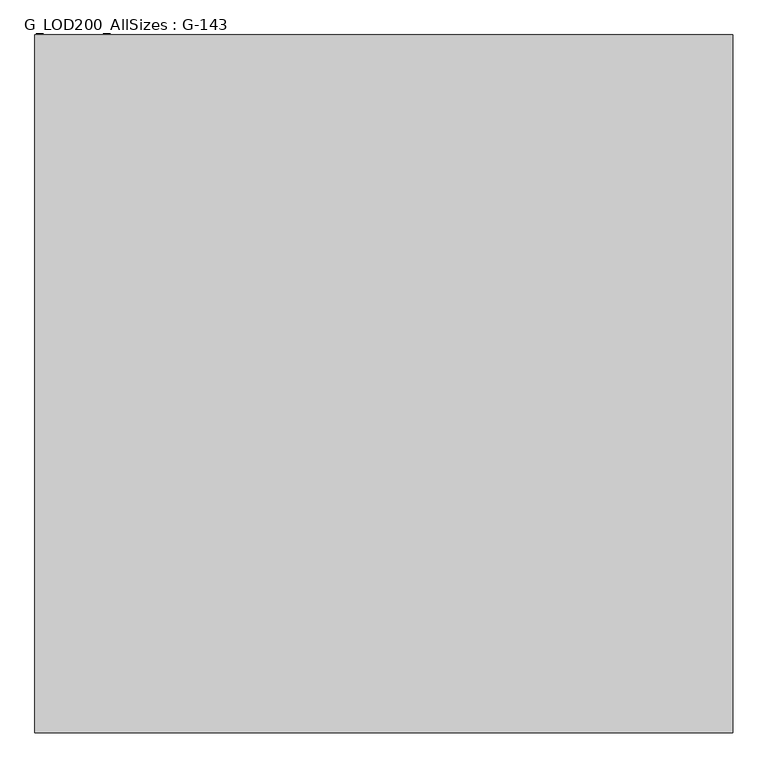
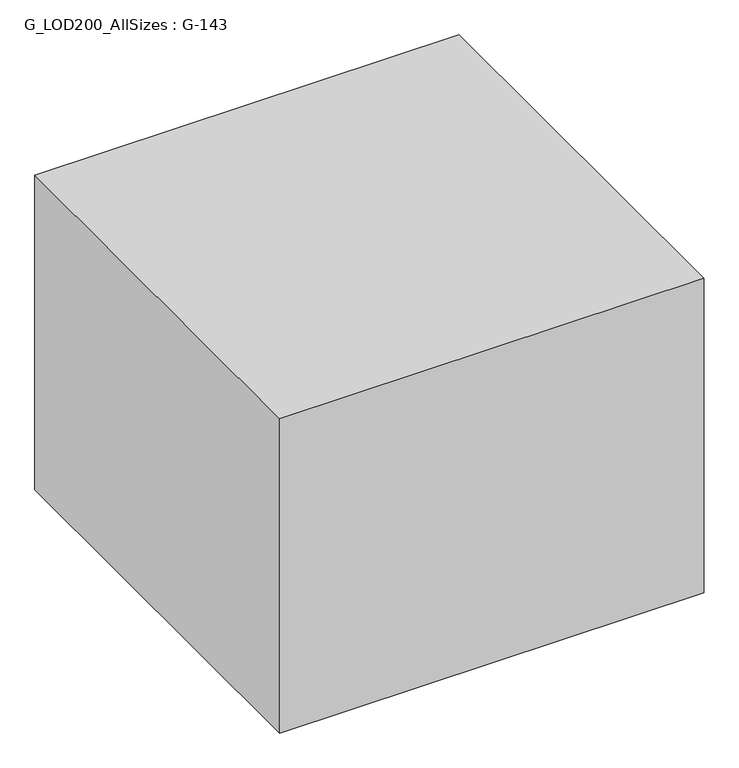
"""IFC4 building model written with IfcOpenShell, lengths in millimetres: proxy geometry, G_LOD200_AllSizes : G-143."""

from ifc_helpers import new_model, si_unit, point, frame, origin, origin_with_axes, place, context, project, spatial, polyline, circle_curve, ellipse_curve, trimmed, outline, extrude, faceted_brep, source, transform, mapped, element, save
from ifc_brep_helpers import plane_surface, cylinder_surface, revolved_surface, advanced_brep


def g_lod200_allsizes_g_143_ea013824(model_context):
    return source(origin(), model_context, "Body", "SolidModel", [
        extrude(outline(polyline([(-19.1124116, -260.35), (-539.8124116, -260.35), (-539.8124116, 260.35), (-19.1124116, 260.35), (-19.1124116, -260.35)]), holes=[polyline([(-514.4125132, -234.9501016), (-44.51231, -234.9501016), (-44.51231, 234.9501016), (-514.4125132, 234.9501016), (-514.4125132, -234.9501016)])]), origin_with_axes(), (0.0, 0.0, 1.0), 304.8),
        advanced_brep(
        [(-279.4624116, 0.0, 563.5625), (16.2888384, 0.0, 563.5625), (-575.2136616, 0.0, 563.5625), (-640.2217866, 0.0, 414.3375), (81.2969634, 0.0, 414.3375), (-279.4624116, 0.0, 414.3375), (-640.2217866, 0.0, 498.5544531), (81.2969634, 0.0, 498.554375)],
        [
            (0, 1),
            (1, 2, circle_curve(frame((-279.4624116, 0.0, 563.5625), z_axis=(0.0, 0.0, 1.0), x_axis=(1.0, 0.0, 0.0)), 295.75125)),
            (2, 0),
            (2, 1, circle_curve(frame((-279.4624116, 0.0, 563.5625), z_axis=(0.0, 0.0, 1.0), x_axis=(1.0, 0.0, 0.0)), 295.75125)),
            (3, 4, circle_curve(frame((-279.4624116, 0.0, 414.3375), z_axis=(0.0, 0.0, -1.0), x_axis=(1.0, 0.0, 0.0)), 360.759375)),
            (4, 5),
            (5, 3),
            (4, 3, circle_curve(frame((-279.4624116, 0.0, 414.3375), z_axis=(0.0, 0.0, -1.0), x_axis=(1.0, 0.0, 0.0)), 360.759375)),
            (3, 6),
            (6, 7, circle_curve(frame((-279.4624116, 0.0, 498.554375), z_axis=(0.0, 0.0, -1.0), x_axis=(1.0, 0.0, 0.0)), 360.759375)),
            (7, 4),
            (7, 6, circle_curve(frame((-279.4624116, 0.0, 498.554375), z_axis=(0.0, 0.0, -1.0), x_axis=(1.0, 0.0, 0.0)), 360.759375)),
            (6, 2, circle_curve(frame((-575.2136616, 0.0, 498.554375), z_axis=(0.0, 1.0, 0.0), x_axis=(-1.0, 0.0, 0.0)), 65.008125)),
            (1, 7, circle_curve(frame((16.2888384, 0.0, 498.554375), z_axis=(0.0, 1.0, 0.0), x_axis=(1.0, 0.0, 0.0)), 65.008125)),
        ],
        [
            plane_surface(frame((-279.4624116, 0.0, 563.5625), z_axis=(0.0, 0.0, 1.0), x_axis=(1.0, 0.0, 0.0))),
            plane_surface(frame((-279.4624116, 0.0, 414.3375), z_axis=(0.0, 0.0, -1.0), x_axis=(1.0, 0.0, 0.0))),
            cylinder_surface(frame((-279.4624116, 0.0, 414.3047007), z_axis=(0.0, 0.0, 1.0), x_axis=(1.0, 0.0, 0.0)), 360.759375),
            revolved_surface(trimmed(ellipse_curve(frame((16.2888384, 0.0, 498.554375), z_axis=(0.0, -1.0, 0.0), x_axis=(1.0, 0.0, 0.0)), 65.008125, 65.008125), [point((81.2969634, 0.0, 498.554375))], [point((16.2888384, 0.0, 563.5625))], True, "CARTESIAN"), (-279.4624116, 0.0, 543.2513531), (0.0, 0.0, 1.0)),
        ],
        [
            (0, [[1, 2, 3]]),
            (0, [[-1, -3, 4]]),
            (1, [[5, 6, 7]]),
            (1, [[-6, 8, -7]]),
            (2, [[-5, 9, 10, 11]]),
            (2, [[-8, -11, 12, -9]]),
            (3, [[13, -2, 14, -10]]),
            (3, [[-13, -12, -14, -4]]),
        ],
    ),
        faceted_brep([(-0.0624116, -279.4, 304.8), (-558.8624116, -279.4, 304.8), (-558.8624116, -279.4, 260.35), (-0.0624116, -279.4, 260.35), (-0.0624116, 279.4, 304.8), (-0.0624116, 279.4, 260.35), (-558.8624116, 279.4, 260.35), (-558.8624116, 279.4, 304.8), (-1.6499116, -277.8125, 260.35), (-1.6499116, 277.8125, 260.35), (-557.2749116, 277.8125, 260.35), (-557.2749116, -277.8125, 260.35), (-1.6499116, 277.8125, 303.2125), (-1.6499116, -277.8125, 303.2125), (-557.2749116, -277.8125, 303.2125), (-557.2749116, 277.8125, 303.2125)], [[[0, 1, 2, 3]], [[4, 5, 6, 7]], [[1, 0, 4, 7]], [[2, 1, 7, 6]], [[3, 2, 6, 5], [8, 9, 10, 11]], [[0, 3, 5, 4]], [[12, 13, 14, 15]], [[13, 12, 9, 8]], [[14, 13, 8, 11]], [[15, 14, 11, 10]], [[12, 15, 10, 9]]]),
        advanced_brep(
        [(-547.7499116, 0.0, 833.4375), (-11.9686616, 0.0, 833.4375), (-11.9686616, 0.0, 304.8), (-547.7499116, 0.0, 304.8), (-279.8592866, 0.0, 909.6375), (-88.1686616, 0.0, 909.6375), (-471.5499116, 0.0, 909.6375), (-279.8592866, 0.0, 304.8)],
        [
            (0, 1, circle_curve(frame((-279.8592866, 0.0, 833.4375), z_axis=(0.0, 0.0, -1.0), x_axis=(1.0, 0.0, 0.0)), 267.890625)),
            (1, 2),
            (2, 3, circle_curve(frame((-279.8592866, 0.0, 304.8), z_axis=(0.0, 0.0, 1.0), x_axis=(1.0, 0.0, 0.0)), 267.890625)),
            (3, 0),
            (1, 0, circle_curve(frame((-279.8592866, 0.0, 833.4375), z_axis=(0.0, 0.0, -1.0), x_axis=(1.0, 0.0, 0.0)), 267.890625)),
            (3, 2, circle_curve(frame((-279.8592866, 0.0, 304.8), z_axis=(0.0, 0.0, 1.0), x_axis=(1.0, 0.0, 0.0)), 267.890625)),
            (4, 5),
            (5, 6, circle_curve(frame((-279.8592866, 0.0, 909.6375), z_axis=(0.0, 0.0, 1.0), x_axis=(1.0, 0.0, 0.0)), 191.690625)),
            (6, 4),
            (6, 5, circle_curve(frame((-279.8592866, 0.0, 909.6375), z_axis=(0.0, 0.0, 1.0), x_axis=(1.0, 0.0, 0.0)), 191.690625)),
            (2, 7),
            (7, 3),
            (5, 1, circle_curve(frame((-88.1686616, 0.0, 833.4375), z_axis=(0.0, 1.0, 0.0), x_axis=(1.0, 0.0, 0.0)), 76.2)),
            (0, 6, circle_curve(frame((-471.5499116, 0.0, 833.4375), z_axis=(0.0, 1.0, 0.0), x_axis=(-1.0, 0.0, 0.0)), 76.2)),
        ],
        [
            cylinder_surface(frame((-279.8592866, 0.0, 353.0888052), z_axis=(0.0, 0.0, 1.0), x_axis=(1.0, 0.0, 0.0)), 267.890625),
            plane_surface(frame((-279.8592866, 0.0, 909.6375), z_axis=(0.0, 0.0, 1.0), x_axis=(1.0, 0.0, 0.0))),
            plane_surface(frame((-279.8592866, 0.0, 304.8), z_axis=(0.0, 0.0, -1.0), x_axis=(1.0, 0.0, 0.0))),
            revolved_surface(trimmed(ellipse_curve(frame((-88.1686616, 0.0, 833.4375), z_axis=(0.0, -1.0, 0.0), x_axis=(1.0, 0.0, 0.0)), 76.2, 76.2), [point((-11.9686616, 0.0, 833.4375))], [point((-88.1686616, 0.0, 909.6375))], True, "CARTESIAN"), (-279.8592866, 0.0, 353.0888052), (0.0, 0.0, 1.0)),
        ],
        [
            (0, [[1, 2, 3, 4]]),
            (0, [[5, -4, 6, -2]]),
            (1, [[7, 8, 9]]),
            (1, [[-9, 10, -7]]),
            (2, [[-3, 11, 12]]),
            (2, [[-6, -12, -11]]),
            (3, [[-8, 13, -1, 14]]),
            (3, [[-10, -14, -5, -13]]),
        ],
    ),
        extrude(outline(polyline([(690.8969634, 970.359375), (690.8969634, -970.359375), (-1249.8217866, -970.359375), (-1249.8217866, 970.359375), (690.8969634, 970.359375)])), frame((0.0, 0.0, -0.0254), z_axis=(0.0, 0.0, 1.0), x_axis=(1.0, 0.0, 0.0)), (0.0, 0.0, 1.0), 1519.2629),
    ])


if __name__ == "__main__":
    model = new_model("IFC4")
    model_context = context("Model", 3, world=origin())
    ifc_project = project(units=[si_unit("LENGTHUNIT", "METRE", prefix="MILLI")], contexts=[model_context])
    site = spatial("IfcSite", under=ifc_project)
    building = spatial("IfcBuilding", under=site)
    placement = place(None, origin())
    g_lod200_allsizes_g_143_shape = g_lod200_allsizes_g_143_ea013824(model_context)
    element("IfcBuildingElementProxy", 1, Name="G_LOD200_AllSizes : G-143", ObjectType="G_LOD200_AllSizes : G-143", at=placement, inside=building, context=model_context, shape_type="MappedRepresentation", body=[
        mapped(g_lod200_allsizes_g_143_shape, transform((0.0, 0.0, 0.0), x_axis=(1.0, 0.0, 0.0), y_axis=(0.0, 1.0, 0.0), z_axis=(0.0, 0.0, 1.0))),
    ])
    save(model, "model.ifc")
